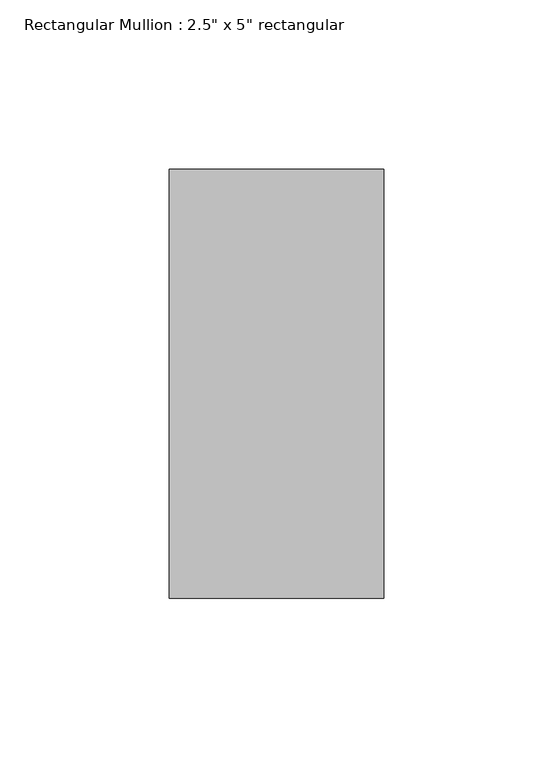
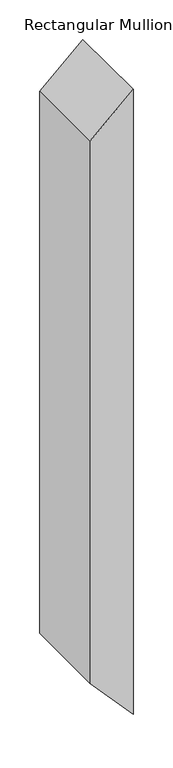
"""IFC4 building model written with IfcOpenShell, lengths in millimetres: member geometry."""

from ifc_helpers import new_model, si_unit, frame, origin, place, context, project, spatial, polyline, outline, extrude, source, transform, mapped, element, save


def member_0d5c593e(model_context):
    return source(origin(), model_context, "Body", "SweptSolid", [
        extrude(outline(polyline([(0.0, 0.0), (-57.500624, -63.5), (-894.6062642, -63.5), (-964.7315902, 0.0), (0.0, 0.0)])), frame((0.0, -63.5, 0.0), z_axis=(0.0, 1.0, 0.0), x_axis=(0.0, 0.0, 1.0)), (0.0, 0.0, 1.0), 127.0),
    ])


if __name__ == "__main__":
    model = new_model("IFC4")
    model_context = context("Model", 3, world=origin())
    ifc_project = project(units=[si_unit("LENGTHUNIT", "METRE", prefix="MILLI")], contexts=[model_context])
    site = spatial("IfcSite", under=ifc_project)
    building = spatial("IfcBuilding", under=site)
    placement = place(None, origin())
    member_shape = member_0d5c593e(model_context)
    element("IfcMember", 1, ObjectType="Rectangular Mullion : 2.5\" x 5\" rectangular", at=placement, inside=building, context=model_context, shape_type="MappedRepresentation", body=[
        mapped(member_shape, transform((0.0, 0.0, 0.0), x_axis=(1.0, 0.0, 0.0), y_axis=(0.0, 1.0, 0.0), z_axis=(0.0, 0.0, 1.0))),
    ])
    save(model, "model.ifc")
